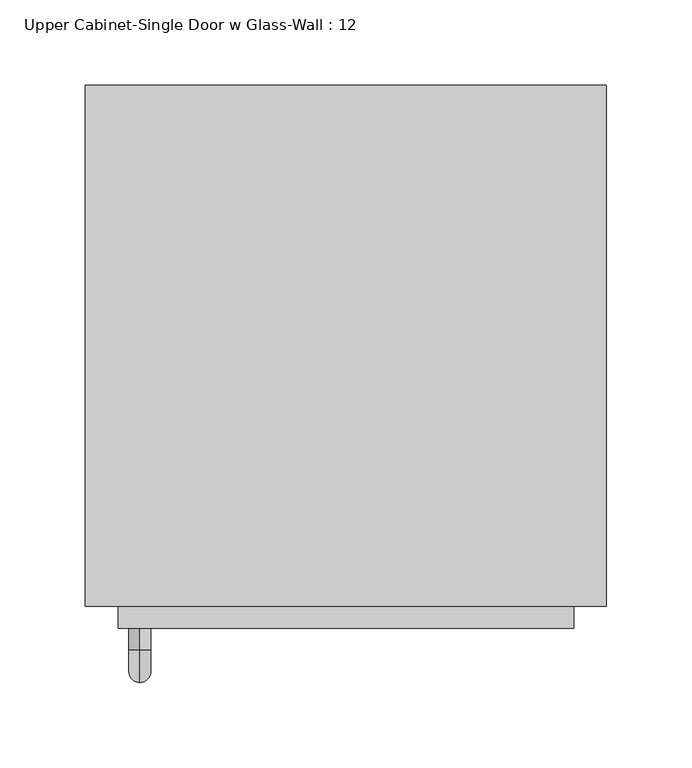
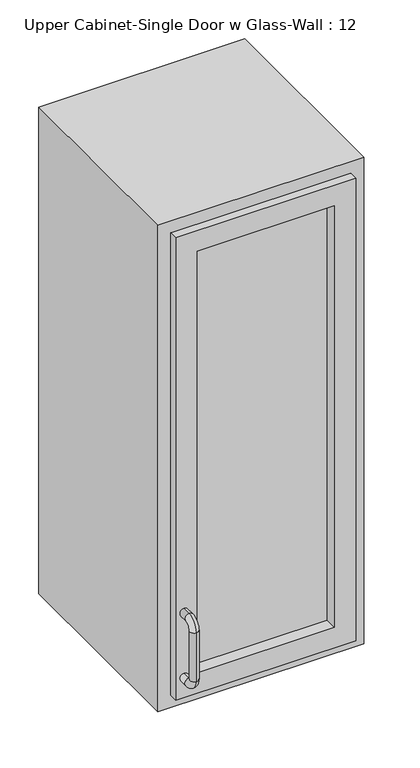
"""IFC4 building model written with IfcOpenShell, lengths in millimetres: furniture geometry, Upper Cabinet-Single Door w Glass-Wall : 12."""

from ifc_helpers import new_model, si_unit, point, frame, origin, place, context, project, spatial, polyline, circle_curve, ellipse_curve, trimmed, outline, extrude, source, transform, mapped, element, save
from ifc_brep_helpers import plane_surface, cylinder_surface, revolved_surface, advanced_brep


def upper_cabinet_single_door_w_glass_wall_12_97b3335e(model_context):
    return source(origin(), model_context, "Body", "SolidModel", [
        advanced_brep(
        [(-90.8788372, -387.35, 1517.65), (-90.8788372, -387.35, 1530.35), (-90.8788372, -400.05, 1530.35), (-90.8788372, -400.05, 1517.65), (-90.8788372, -419.1, 1511.3), (-90.8788372, -406.4, 1511.3), (-90.8788372, -419.1, 1435.1), (-90.8788372, -406.4, 1435.1), (-90.8788372, -400.05, 1416.05), (-90.8788372, -400.05, 1428.75), (-90.8788372, -387.35, 1428.75), (-90.8788372, -387.35, 1416.05)],
        [
            (0, 1, circle_curve(frame((-90.8788372, -387.35, 1524.0), z_axis=(0.0, 1.0, 0.0), x_axis=(0.0, 0.0, 1.0)), 6.35)),
            (1, 0, circle_curve(frame((-90.8788372, -387.35, 1524.0), z_axis=(0.0, 1.0, 0.0), x_axis=(0.0, 0.0, 1.0)), 6.35)),
            (1, 2),
            (2, 3, circle_curve(frame((-90.8788372, -400.05, 1524.0), z_axis=(0.0, 1.0, 0.0), x_axis=(0.0, 0.0, 1.0)), 6.35)),
            (3, 0),
            (3, 2, circle_curve(frame((-90.8788372, -400.05, 1524.0), z_axis=(0.0, 1.0, 0.0), x_axis=(0.0, 0.0, 1.0)), 6.35)),
            (4, 5, circle_curve(frame((-90.8788372, -412.75, 1511.3), z_axis=(0.0, 0.0, 1.0), x_axis=(0.0, -1.0, 0.0)), 6.35)),
            (5, 3, circle_curve(frame((-90.8788372, -400.05, 1511.3), z_axis=(-1.0, 0.0, 0.0), x_axis=(0.0, 0.0, 1.0)), 6.35)),
            (2, 4, circle_curve(frame((-90.8788372, -400.05, 1511.3), z_axis=(1.0, 0.0, 0.0), x_axis=(0.0, 0.0, 1.0)), 19.05)),
            (5, 4, circle_curve(frame((-90.8788372, -412.75, 1511.3), z_axis=(0.0, 0.0, 1.0), x_axis=(0.0, -1.0, 0.0)), 6.35)),
            (4, 6),
            (6, 7, circle_curve(frame((-90.8788372, -412.75, 1435.1), z_axis=(0.0, 0.0, 1.0), x_axis=(0.0, -1.0, 0.0)), 6.35)),
            (7, 5),
            (7, 6, circle_curve(frame((-90.8788372, -412.75, 1435.1), z_axis=(0.0, 0.0, 1.0), x_axis=(0.0, -1.0, 0.0)), 6.35)),
            (8, 9, circle_curve(frame((-90.8788372, -400.05, 1422.4), z_axis=(0.0, -1.0, 0.0), x_axis=(0.0, 0.0, -1.0)), 6.35)),
            (9, 7, circle_curve(frame((-90.8788372, -400.05, 1435.1), z_axis=(-1.0, 0.0, 0.0), x_axis=(0.0, -1.0, 0.0)), 6.35)),
            (6, 8, circle_curve(frame((-90.8788372, -400.05, 1435.1), z_axis=(1.0, 0.0, 0.0), x_axis=(0.0, -1.0, 0.0)), 19.05)),
            (9, 8, circle_curve(frame((-90.8788372, -400.05, 1422.4), z_axis=(0.0, -1.0, 0.0), x_axis=(0.0, 0.0, -1.0)), 6.35)),
            (10, 11, circle_curve(frame((-90.8788372, -387.35, 1422.4), z_axis=(0.0, 1.0, 0.0), x_axis=(0.0, 0.0, -1.0)), 6.35)),
            (11, 10, circle_curve(frame((-90.8788372, -387.35, 1422.4), z_axis=(0.0, 1.0, 0.0), x_axis=(0.0, 0.0, -1.0)), 6.35)),
            (8, 11),
            (10, 9),
        ],
        [
            plane_surface(frame((-97.2288372, -387.35, 1524.0), z_axis=(0.0, 1.0, 0.0), x_axis=(0.0, 0.0, 1.0))),
            cylinder_surface(frame((-90.8788372, -387.35, 1524.0), z_axis=(0.0, 1.0, 0.0), x_axis=(0.0, 0.0, 1.0)), 6.35),
            revolved_surface(trimmed(ellipse_curve(frame((-90.8788372, -400.05, 1524.0), z_axis=(0.0, -1.0, 0.0), x_axis=(0.0, 0.0, 1.0)), 6.35, 6.35), [point((-90.8788372, -400.05, 1517.65))], [point((-90.8788372, -400.05, 1530.35))], True, "CARTESIAN"), (-90.8788372, -400.05, 1511.3), (-1.0, 0.0, 0.0)),
            revolved_surface(trimmed(ellipse_curve(frame((-90.8788372, -400.05, 1524.0), z_axis=(0.0, -1.0, 0.0), x_axis=(0.0, 0.0, 1.0)), 6.35, 6.35), [point((-90.8788372, -400.05, 1530.35))], [point((-90.8788372, -400.05, 1517.65))], True, "CARTESIAN"), (-90.8788372, -400.05, 1511.3), (-1.0, 0.0, 0.0)),
            cylinder_surface(frame((-90.8788372, -412.75, 1511.3), z_axis=(0.0, 0.0, 1.0), x_axis=(0.0, -1.0, 0.0)), 6.35),
            revolved_surface(trimmed(ellipse_curve(frame((-90.8788372, -412.75, 1435.1), z_axis=(0.0, 0.0, -1.0), x_axis=(0.0, -1.0, 0.0)), 6.35, 6.35), [point((-90.8788372, -406.4, 1435.1))], [point((-90.8788372, -419.1, 1435.1))], True, "CARTESIAN"), (-90.8788372, -400.05, 1435.1), (-1.0, 0.0, 0.0)),
            revolved_surface(trimmed(ellipse_curve(frame((-90.8788372, -412.75, 1435.1), z_axis=(0.0, 0.0, -1.0), x_axis=(0.0, -1.0, 0.0)), 6.35, 6.35), [point((-90.8788372, -419.1, 1435.1))], [point((-90.8788372, -406.4, 1435.1))], True, "CARTESIAN"), (-90.8788372, -400.05, 1435.1), (-1.0, 0.0, 0.0)),
            plane_surface(frame((-97.2288372, -387.35, 1422.4), z_axis=(0.0, 1.0, 0.0), x_axis=(0.0, 0.0, -1.0))),
            cylinder_surface(frame((-90.8788372, -400.05, 1422.4), z_axis=(0.0, -1.0, 0.0), x_axis=(0.0, 0.0, -1.0)), 6.35),
        ],
        [
            (0, [[1, 2]]),
            (1, [[3, 4, 5, -2]]),
            (1, [[-5, 6, -3, -1]]),
            (2, [[7, 8, -4, 9]]),
            (3, [[10, -9, -6, -8]]),
            (4, [[11, 12, 13, -7]]),
            (4, [[-13, 14, -11, -10]]),
            (5, [[15, 16, -12, 17]]),
            (6, [[18, -17, -14, -16]]),
            (7, [[19, 20]]),
            (8, [[21, -19, 22, -15]]),
            (8, [[-22, -20, -21, -18]]),
        ],
    ),
        extrude(outline(polyline([(-71.8288372, -368.3), (-71.8288372, -361.95), (131.3711628, -361.95), (131.3711628, -368.3), (-71.8288372, -368.3)])), frame((0.0, 0.0, 1422.4), z_axis=(0.0, 0.0, 1.0), x_axis=(1.0, 0.0, 0.0)), (0.0, 0.0, 1.0), 660.4),
        extrude(outline(polyline([(2114.55, -103.5788372), (1390.65, -103.5788372), (1390.65, 163.1211628), (2114.55, 163.1211628), (2114.55, -103.5788372)]), holes=[polyline([(1422.4, -71.8288372), (2082.8, -71.8288372), (2082.8, 131.3711628), (1422.4, 131.3711628), (1422.4, -71.8288372)])]), frame((0.0, -387.35, 0.0), z_axis=(0.0, 1.0, 0.0), x_axis=(0.0, 0.0, 1.0)), (0.0, 0.0, 1.0), 31.75),
        extrude(outline(polyline([(163.1211628, -69.85), (163.1211628, -88.9), (-103.5788372, -88.9), (-103.5788372, -69.85), (163.1211628, -69.85)])), frame((0.0, 0.0, 1390.65), z_axis=(0.0, 0.0, 1.0), x_axis=(1.0, 0.0, 0.0)), (0.0, 0.0, 1.0), 723.9),
        extrude(outline(polyline([(2133.6, -122.6288372), (1371.6, -122.6288372), (1371.6, 182.1711628), (2133.6, 182.1711628), (2133.6, -122.6288372)]), holes=[polyline([(2114.55, -103.5788372), (2114.55, 163.1211628), (1390.65, 163.1211628), (1390.65, -103.5788372), (2114.55, -103.5788372)])]), frame((0.0, -374.65, 0.0), z_axis=(0.0, 1.0, 0.0), x_axis=(0.0, 0.0, 1.0)), (0.0, 0.0, 1.0), 304.8),
    ])


if __name__ == "__main__":
    model = new_model("IFC4")
    model_context = context("Model", 3, world=origin())
    ifc_project = project(units=[si_unit("LENGTHUNIT", "METRE", prefix="MILLI")], contexts=[model_context])
    site = spatial("IfcSite", under=ifc_project)
    building = spatial("IfcBuilding", under=site)
    placement = place(None, origin())
    upper_cabinet_single_door_w_glass_wall_12_shape = upper_cabinet_single_door_w_glass_wall_12_97b3335e(model_context)
    element("IfcFurniture", 1, ObjectType="Upper Cabinet-Single Door w Glass-Wall : 12", at=placement, inside=building, context=model_context, shape_type="MappedRepresentation", body=[
        mapped(upper_cabinet_single_door_w_glass_wall_12_shape, transform((0.0, 0.0, 0.0), x_axis=(1.0, 0.0, 0.0), y_axis=(0.0, 1.0, 0.0), z_axis=(0.0, 0.0, 1.0))),
    ])
    save(model, "model.ifc")
